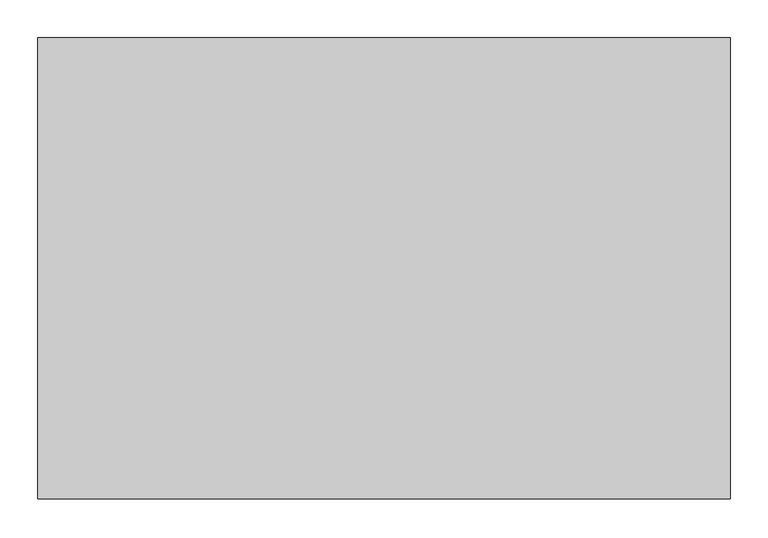
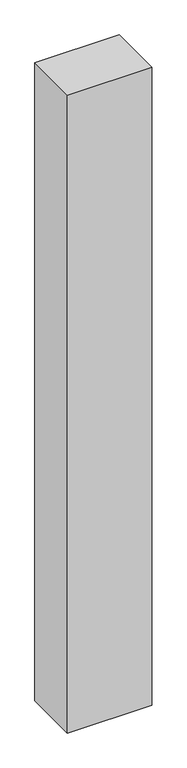
"""IFC4 building model written with IfcOpenShell, lengths in millimetres: proxy geometry."""

import ifcopenshell
import ifcopenshell.guid

model = None  # the IFC model being written
_history = None  # IfcOwnerHistory: only IFC2X3 demands one
_inside = {}  # id of a spatial element -> (the spatial element, [elements in it])
_under = {}  # id of a project, library or spatial element -> (it, [spatial elements below it])
_declared = {}  # id of a project -> (the project, [libraries it declares])
_typed = {}  # id of a type object -> (the type object, [elements of that type])
_made_of = {}  # id of a material, layer set ... -> (it, [elements and type objects made of it])


def new_model(schema):
    """Start an empty IFC model of exactly this schema.

    Asked for "IFC4X3", IfcOpenShell would pick the latest addendum, in which some entities
    have other attributes; the version numbers below select the first issue.
    IFC2X3 requires an IfcOwnerHistory on every rooted entity: one is made here for all.
    """
    global model, _history
    if schema == "IFC4X3":
        model = ifcopenshell.file(schema_version=(4, 3, 0, 0))
    else:
        model = ifcopenshell.file(schema=schema)
    _inside.clear()
    _under.clear()
    _declared.clear()
    _typed.clear()
    _made_of.clear()
    _history = None
    if model.schema == "IFC2X3":
        org = make("IfcOrganization", Name="unknown")
        user = make(
            "IfcPersonAndOrganization",
            ThePerson=make("IfcPerson", FamilyName="unknown"),
            TheOrganization=org,
        )
        app = make(
            "IfcApplication",
            ApplicationDeveloper=org,
            Version="unknown",
            ApplicationFullName="unknown",
            ApplicationIdentifier="unknown",
        )
        _history = make(
            "IfcOwnerHistory",
            OwningUser=user,
            OwningApplication=app,
            ChangeAction="ADDED",
            CreationDate=0,
        )
    return model


def make(cls, **values):
    """One entity of the class cls with the attributes given. An attribute that is None is left unset."""
    return model.create_entity(
        cls, **{name: value for name, value in values.items() if value is not None}
    )


def rooted(cls, **values):
    """An entity with a GlobalId (a new one), such as an element, a storey or a relation."""
    return make(cls, GlobalId=ifcopenshell.guid.new(), OwnerHistory=_history, **values)


def si_unit(unit_type, name, prefix=None):
    """IfcSIUnit, for example si_unit("LENGTHUNIT", "METRE", prefix="MILLI")."""
    return make("IfcSIUnit", UnitType=unit_type, Prefix=prefix, Name=name)


def assignment(units):
    """IfcUnitAssignment: the units of a project."""
    return None if units is None else make("IfcUnitAssignment", Units=units)


def point(xyz):
    """IfcCartesianPoint."""
    return None if xyz is None else make("IfcCartesianPoint", Coordinates=xyz)


def direction(xyz):
    """IfcDirection."""
    return None if xyz is None else make("IfcDirection", DirectionRatios=xyz)


def frame(location, z_axis=None, x_axis=None):
    """IfcAxis2Placement3D, a coordinate frame: its origin and axes. An axis left out is left unset."""
    return make(
        "IfcAxis2Placement3D",
        Location=point(location),
        Axis=direction(z_axis),
        RefDirection=direction(x_axis),
    )


def origin():
    """The frame at (0, 0, 0) with its axes left unset."""
    return frame((0.0, 0.0, 0.0))


def origin_with_axes():
    """The frame at (0, 0, 0) with the z axis (0, 0, 1) and the x axis (1, 0, 0) written out."""
    return frame((0.0, 0.0, 0.0), z_axis=(0.0, 0.0, 1.0), x_axis=(1.0, 0.0, 0.0))


def place(relative_to, where):
    """IfcLocalPlacement: puts the frame where relative to a parent placement (None: the world)."""
    return make(
        "IfcLocalPlacement", PlacementRelTo=relative_to, RelativePlacement=where
    )


def context(
    kind, dimensions, precision=None, world=None, true_north=None, identifier=None
):
    """IfcGeometricRepresentationContext, for example the 3D "Model" context."""
    return make(
        "IfcGeometricRepresentationContext",
        ContextIdentifier=identifier,
        ContextType=kind,
        CoordinateSpaceDimension=dimensions,
        Precision=precision,
        WorldCoordinateSystem=world,
        TrueNorth=true_north,
    )


def project(units=None, contexts=None):
    """IfcProject with its units and contexts."""
    return rooted(
        "IfcProject",
        Name="project",
        RepresentationContexts=contexts,
        UnitsInContext=assignment(units),
    )


def spatial(cls, under=None, at=None, **own):
    """A site, building, storey or space (cls), placed at a placement, below another one or the project."""
    s = rooted(cls, ObjectPlacement=at, **own)
    if under is not None:
        _under.setdefault(under.id(), (under, []))[1].append(s)
    return s


def polyline(points):
    """IfcPolyline through the points."""
    return make("IfcPolyline", Points=[point(p) for p in points])


def outline(outer, holes=None, kind="AREA"):
    """IfcArbitraryClosedProfileDef: a profile drawn as a closed curve; with holes, ...WithVoids."""
    if holes is None:
        return make("IfcArbitraryClosedProfileDef", ProfileType=kind, OuterCurve=outer)
    return make(
        "IfcArbitraryProfileDefWithVoids",
        ProfileType=kind,
        OuterCurve=outer,
        InnerCurves=holes,
    )


def extrude(swept, where, along, depth):
    """IfcExtrudedAreaSolid: the profile swept, set in the frame where, extruded along a direction by depth."""
    return make(
        "IfcExtrudedAreaSolid",
        SweptArea=swept,
        Position=where,
        ExtrudedDirection=direction(along),
        Depth=depth,
    )


def shape(context_of_items, identifier, shape_type, items):
    """IfcShapeRepresentation: the items that make up one representation, for example the "Body"."""
    return make(
        "IfcShapeRepresentation",
        ContextOfItems=context_of_items,
        RepresentationIdentifier=identifier,
        RepresentationType=shape_type,
        Items=items,
    )


def source(mapping_origin, context_of_items, identifier, shape_type, items):
    """IfcRepresentationMap: a shape defined once, which mapped items show again and again."""
    return make(
        "IfcRepresentationMap",
        MappingOrigin=mapping_origin,
        MappedRepresentation=shape(context_of_items, identifier, shape_type, items),
    )


def transform(
    local_origin,
    x_axis=None,
    y_axis=None,
    z_axis=None,
    scale=None,
    scale2=None,
    scale3=None,
    uniform=True,
):
    """IfcCartesianTransformationOperator3D, or its non-uniform kind. x_axis, y_axis, z_axis: its Axis1, 2, 3."""
    if uniform:
        return make(
            "IfcCartesianTransformationOperator3D",
            Axis1=direction(x_axis),
            Axis2=direction(y_axis),
            LocalOrigin=point(local_origin),
            Scale=scale,
            Axis3=direction(z_axis),
        )
    return make(
        "IfcCartesianTransformationOperator3DnonUniform",
        Axis1=direction(x_axis),
        Axis2=direction(y_axis),
        LocalOrigin=point(local_origin),
        Scale=scale,
        Axis3=direction(z_axis),
        Scale2=scale2,
        Scale3=scale3,
    )


def mapped(mapping_source, mapping_target):
    """IfcMappedItem: shows the shape of a source again, moved by a transform."""
    return make(
        "IfcMappedItem", MappingSource=mapping_source, MappingTarget=mapping_target
    )


def made_of(thing, what):
    """Note that an element or type object is made of a material, layer set ...; save() writes the relation."""
    if what is not None:
        _made_of.setdefault(what.id(), (what, []))[1].append(thing)
    return thing


def element(
    cls,
    number,
    at=None,
    inside=None,
    cuts=None,
    type_object=None,
    material=None,
    context=None,
    identifier="Body",
    shape_type=None,
    held_by="IfcProductDefinitionShape",
    body=None,
    shapes=None,
    **own,
):
    """One element of the class cls, such as IfcWall. Its Tag is "e" and its number.

    at: its placement. inside: the storey or other place that contains it. cuts: it is an
    opening in that element (IfcRelVoidsElement). A single representation is given by context,
    identifier, shape_type and body (its items); several are given by shapes. held_by: the class
    of the entity that holds the representations. save() writes the other relations.
    """
    e = rooted(cls, Tag="e%d" % number, ObjectPlacement=at, **own)
    if body is not None:
        shapes = [shape(context, identifier, shape_type, body)]
    if shapes is not None:
        e.Representation = make(held_by, Representations=shapes)
    if inside is not None:
        _inside.setdefault(inside.id(), (inside, []))[1].append(e)
    if cuts is not None:
        rooted(
            "IfcRelVoidsElement", RelatingBuildingElement=cuts, RelatedOpeningElement=e
        )
    if type_object is not None:
        _typed.setdefault(type_object.id(), (type_object, []))[1].append(e)
    return made_of(e, material)


def aggregate(whole, parts):
    """IfcRelAggregates: a whole, such as a stair, and the parts it consists of."""
    return rooted("IfcRelAggregates", RelatingObject=whole, RelatedObjects=parts)


def save(model, path):
    """Write the relations noted so far, then the file.

    IfcRelAggregates (storeys below a building ...), IfcRelContainedInSpatialStructure (elements
    in a storey), IfcRelDefinesByType, IfcRelAssociatesMaterial and IfcRelDeclares: one each for
    every whole, place, type object, material and project.
    """
    for whole, parts in _under.values():
        aggregate(whole, parts)
    for where, things in _inside.values():
        rooted(
            "IfcRelContainedInSpatialStructure",
            RelatedElements=things,
            RelatingStructure=where,
        )
    for kind, things in _typed.values():
        rooted("IfcRelDefinesByType", RelatedObjects=things, RelatingType=kind)
    for what, things in _made_of.values():
        rooted("IfcRelAssociatesMaterial", RelatedObjects=things, RelatingMaterial=what)
    for by, libraries in _declared.values():
        rooted("IfcRelDeclares", RelatingContext=by, RelatedDefinitions=libraries)
    model.write(path)


def generic_models_022e2eec(model_context):
    return source(origin(), model_context, "Body", "SweptSolid", [
        extrude(outline(polyline([(913.5915609, 609.0610406), (913.5915609, 0.0), (0.0, 0.0), (0.0, 609.0610406), (913.5915609, 609.0610406)])), origin_with_axes(), (0.0, 0.0, 1.0), 7308.7324874),
    ])


if __name__ == "__main__":
    model = new_model("IFC4")
    model_context = context("Model", 3, world=origin())
    ifc_project = project(units=[si_unit("LENGTHUNIT", "METRE", prefix="MILLI")], contexts=[model_context])
    site = spatial("IfcSite", under=ifc_project)
    building = spatial("IfcBuilding", under=site)
    placement = place(None, origin())
    generic_models_shape = generic_models_022e2eec(model_context)
    element("IfcBuildingElementProxy", 1, Name="Generic Models", at=placement, inside=building, context=model_context, shape_type="MappedRepresentation", body=[
        mapped(generic_models_shape, transform((0.0, 0.0, 0.0), x_axis=(1.0, 0.0, 0.0), y_axis=(0.0, 1.0, 0.0), z_axis=(0.0, 0.0, 1.0))),
    ])
    save(model, "model.ifc")
